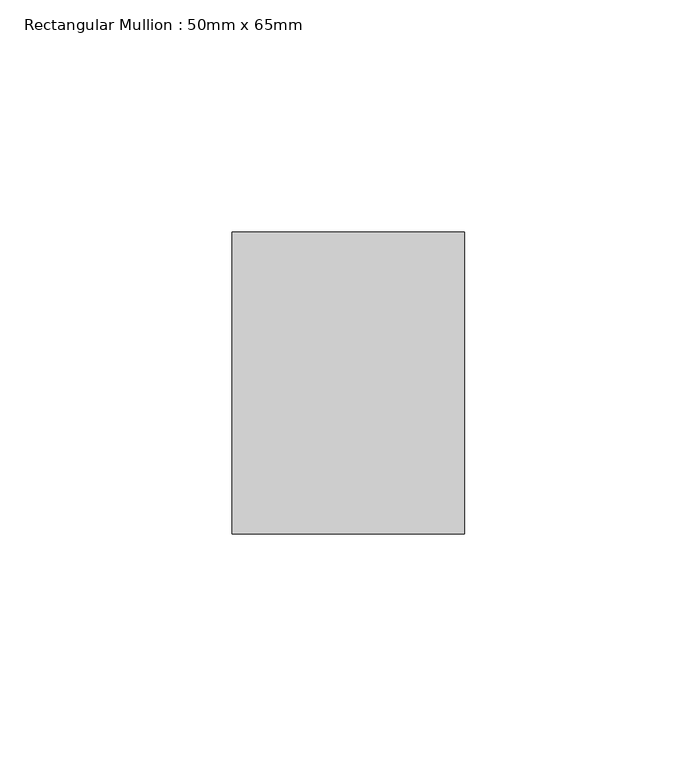
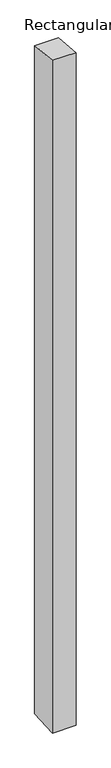
"""IFC4 building model written with IfcOpenShell, lengths in millimetres: member geometry, Rectangular Mullion : 50mm x 65mm."""

from ifc_helpers import new_model, si_unit, frame, origin, place, context, project, spatial, polyline, outline, extrude, source, transform, mapped, element, save


def rectangular_mullion_50mm_x_65mm_f4e4dd76(model_context):
    return source(origin(), model_context, "Body", "SweptSolid", [
        extrude(outline(polyline([(-32.5, 3.1469351), (32.5, -3.1469352), (32.5, -1497.8334513), (-32.5, -1502.1654055), (-32.5, 3.1469351)])), frame((-25.0, 0.0, 0.0), z_axis=(1.0, 0.0, 0.0), x_axis=(0.0, 1.0, 0.0)), (0.0, 0.0, 1.0), 50.0),
    ])


if __name__ == "__main__":
    model = new_model("IFC4")
    model_context = context("Model", 3, world=origin())
    ifc_project = project(units=[si_unit("LENGTHUNIT", "METRE", prefix="MILLI")], contexts=[model_context])
    site = spatial("IfcSite", under=ifc_project)
    building = spatial("IfcBuilding", under=site)
    placement = place(None, origin())
    rectangular_mullion_50mm_x_65mm_shape = rectangular_mullion_50mm_x_65mm_f4e4dd76(model_context)
    element("IfcMember", 1, ObjectType="Rectangular Mullion : 50mm x 65mm", at=placement, inside=building, context=model_context, shape_type="MappedRepresentation", body=[
        mapped(rectangular_mullion_50mm_x_65mm_shape, transform((0.0, 0.0, 0.0), x_axis=(1.0, 0.0, 0.0), y_axis=(0.0, 1.0, 0.0), z_axis=(0.0, 0.0, 1.0))),
    ])
    save(model, "model.ifc")
